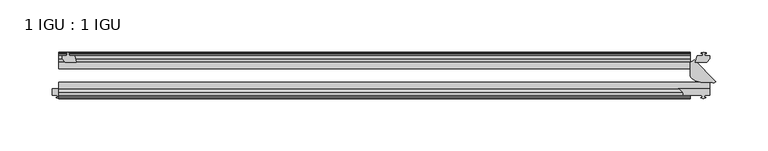
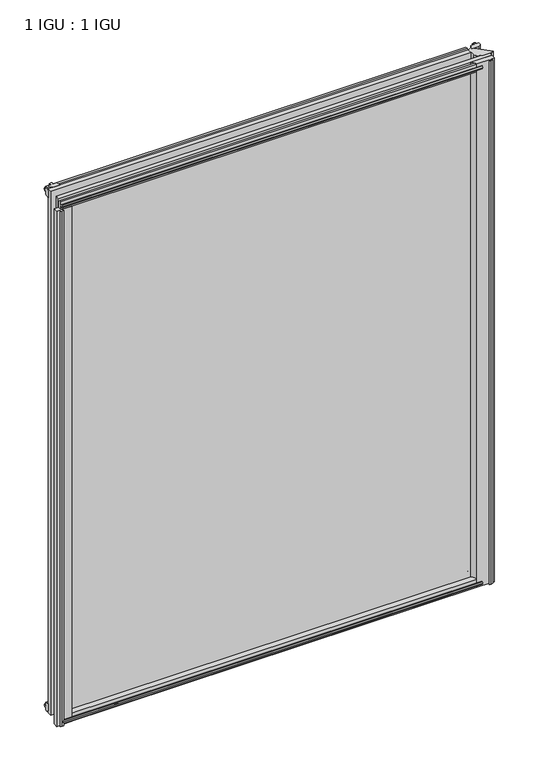
"""IFC4 building model written with IfcOpenShell, lengths in millimetres: plate geometry, 1 IGU : 1 IGU."""

from ifc_helpers import new_model, si_unit, point, frame, frame_2d, origin, place, context, project, spatial, polyline, circle_curve, trimmed, segment, composite_curve, outline, extrude, source, transform, mapped, element, save
from ifc_brep_helpers import plane_surface, cylinder_surface, revolved_surface, extruded_surface, spline_curve, advanced_brep


def plate_1_igu_1_igu_7771bc35(model_context):
    return source(origin(), model_context, "Body", "SolidModel", [
        extrude(outline(polyline([(313.1654553, -10.4746158), (315.3429844, -9.7670938), (317.5205134, -10.4746158), (317.5205134, -11.27583), (316.1049844, -10.8158968), (316.4859844, -13.1960938), (320.9309844, -13.1960938), (320.9309844, -16.1424938), (318.0966422, -19.5460938), (307.2752663, -19.5460938), (308.9929844, -13.1960938), (314.1999844, -13.1960938), (314.5809844, -10.8158968), (313.1654553, -11.27583), (313.1654553, -10.4746158)])), frame((0.0, 0.0, -12.4587), z_axis=(0.0, 0.0, 1.0), x_axis=(1.0, 0.0, 0.0)), (0.0, 0.0, 1.0), 799.6174),
        extrude(outline(polyline([(-295.7968906, -9.7670937), (-293.6193616, -10.4746158), (-293.6193616, -11.27583), (-295.0348906, -10.8158968), (-294.6538906, -13.1960937), (-289.4468906, -13.1960937), (-287.7291725, -19.5460937), (-298.5505485, -19.5460937), (-301.3848906, -16.1424937), (-301.3848906, -13.1960937), (-296.9398906, -13.1960937), (-296.5588906, -10.8158968), (-297.9744197, -11.27583), (-297.9744197, -10.4746158), (-295.7968906, -9.7670937)])), frame((0.0, 0.0, -12.4587), z_axis=(0.0, 0.0, 1.0), x_axis=(1.0, 0.0, 0.0)), (0.0, 0.0, 1.0), 799.6174),
        advanced_brep(
        [(302.2098191, -32.4235409, -12.4587), (302.2098191, -19.5460938, -12.4587), (306.3603258, -17.4341351, -12.4587), (327.0893858, -38.1631952, -12.4587), (324.2055073, -39.1534565, -12.4587), (321.2598191, -38.9186738, -12.4587), (312.4327657, -38.9186738, -12.4587), (302.2098191, -19.5460938, 787.1587), (302.2098191, -32.4235409, 787.1587), (312.4327657, -38.9186738, 787.1587), (321.2598191, -38.9186738, 787.1587), (324.2055073, -39.1534565, 787.1587), (327.0893858, -38.1631952, 787.1587), (306.3603258, -17.4341351, 787.1587)],
        [
            (0, 1),
            (1, 2, circle_curve(frame((301.0410804, -12.1148898, -12.4587), z_axis=(0.0, 0.0, 1.0), x_axis=(1.0, 0.0, 0.0)), 7.522549)),
            (2, 3),
            (3, 4, circle_curve(frame((324.6344618, -35.7082712, -12.4587), z_axis=(0.0, 0.0, -1.0), x_axis=(1.0, 0.0, 0.0)), 3.4717869)),
            (4, 5, circle_curve(frame((322.2411402, -45.2029297, -12.4587), z_axis=(0.0, 0.0, 1.0), x_axis=(1.0, 0.0, 0.0)), 6.3604139)),
            (5, 6),
            (6, 0, spline_curve(3, [(312.4327657, -38.9186738, -12.4587), (311.809740957, -38.761397276, -12.4587), (311.196115338, -38.593572819, -12.4587), (310.283543481, -38.33300809, -12.4587), (309.98066394, -38.244681767, -12.4587), (309.53003538, -38.108050567, -12.4587), (309.380440983, -38.061816567, -12.4587), (309.083829617, -37.966456033, -12.4587), (308.936812673, -37.917329535, -12.4587), (308.644762727, -37.816850065, -12.4587), (308.499729715, -37.765497092, -12.4587), (308.211171685, -37.661098908, -12.4587), (308.067646686, -37.608053732, -12.4587), (307.783099514, -37.499154468, -12.4587), (307.642077426, -37.443300373, -12.4587), (307.363540174, -37.327656627, -12.4587), (307.22602497, -37.267866907, -12.4587), (306.95399843, -37.144916693, -12.4587), (306.819487069, -37.08175619, -12.4587), (306.552974331, -36.95261821, -12.4587), (306.420973005, -36.886640761, -12.4587), (306.160455595, -36.750774839, -12.4587), (306.031939475, -36.680886361, -12.4587), (305.779493525, -36.535961839, -12.4587), (305.655563686, -36.460925826, -12.4587), (305.289346829, -36.229568448, -12.4587), (305.052632562, -36.066997955, -12.4587), (304.710214269, -35.808915823, -12.4587), (304.598183671, -35.720517294, -12.4587), (304.379703929, -35.537504106, -12.4587), (304.273254796, -35.442889374, -12.4587), (304.065369004, -35.247854426, -12.4587), (303.963932414, -35.147434212, -12.4587), (303.765504186, -34.941441188, -12.4587), (303.668512568, -34.835868404, -12.4587), (303.386197964, -34.509849393, -12.4587), (303.209535148, -34.280102712, -12.4587), (302.717605205, -33.551170176, -12.4587), (302.440396533, -33.012291938, -12.4587), (302.2098191, -32.4235409, -12.4587)], [4, 2, 2, 2, 2, 2, 2, 2, 2, 2, 2, 2, 2, 2, 2, 2, 2, 2, 2, 4], [0.0, 0.14285714285714285, 0.21428571428571427, 0.25, 0.2857142857142857, 0.3214285714285714, 0.3571428571428571, 0.3928571428571428, 0.42857142857142855, 0.4642857142857143, 0.5, 0.5357142857142857, 0.5714285714285714, 0.6428571428571428, 0.6785714285714285, 0.7142857142857142, 0.7499999999999999, 0.7857142857142856, 0.8571428571428571, 1.0])),
            (7, 8),
            (8, 9, spline_curve(3, [(302.2098191, -32.4235409, 787.1587), (302.440396533, -33.012291938, 787.1587), (302.717605205, -33.551170176, 787.1587), (303.209535148, -34.280102712, 787.1587), (303.386197964, -34.509849393, 787.1587), (303.668512568, -34.835868404, 787.1587), (303.765504186, -34.941441188, 787.1587), (303.963932414, -35.147434212, 787.1587), (304.065369004, -35.247854426, 787.1587), (304.273254796, -35.442889374, 787.1587), (304.379703929, -35.537504106, 787.1587), (304.598183671, -35.720517294, 787.1587), (304.710214269, -35.808915823, 787.1587), (305.052632562, -36.066997955, 787.1587), (305.289346829, -36.229568448, 787.1587), (305.655563686, -36.460925826, 787.1587), (305.779493525, -36.535961839, 787.1587), (306.031939475, -36.680886361, 787.1587), (306.160455595, -36.750774839, 787.1587), (306.420973005, -36.886640761, 787.1587), (306.552974331, -36.95261821, 787.1587), (306.819487069, -37.08175619, 787.1587), (306.95399843, -37.144916693, 787.1587), (307.22602497, -37.267866907, 787.1587), (307.363540174, -37.327656627, 787.1587), (307.642077426, -37.443300373, 787.1587), (307.783099514, -37.499154468, 787.1587), (308.067646686, -37.608053732, 787.1587), (308.211171685, -37.661098908, 787.1587), (308.499729715, -37.765497092, 787.1587), (308.644762727, -37.816850065, 787.1587), (308.936812673, -37.917329535, 787.1587), (309.083829617, -37.966456033, 787.1587), (309.380440983, -38.061816567, 787.1587), (309.53003538, -38.108050567, 787.1587), (309.98066394, -38.244681767, 787.1587), (310.283543481, -38.33300809, 787.1587), (311.196115338, -38.593572819, 787.1587), (311.809740957, -38.761397276, 787.1587), (312.4327657, -38.9186738, 787.1587)], [4, 2, 2, 2, 2, 2, 2, 2, 2, 2, 2, 2, 2, 2, 2, 2, 2, 2, 2, 4], [0.0, 0.1428571428571429, 0.2142857142857144, 0.2500000000000001, 0.2857142857142858, 0.3214285714285715, 0.3571428571428572, 0.4285714285714286, 0.4642857142857143, 0.5, 0.5357142857142857, 0.5714285714285714, 0.6071428571428572, 0.6428571428571429, 0.6785714285714286, 0.7142857142857143, 0.75, 0.7857142857142857, 0.8571428571428572, 1.0])),
            (9, 10),
            (10, 11, circle_curve(frame((322.2411402, -45.2029297, 787.1587), z_axis=(0.0, 0.0, -1.0), x_axis=(1.0, 0.0, 0.0)), 6.3604139)),
            (11, 12, circle_curve(frame((324.6344618, -35.7082712, 787.1587), z_axis=(0.0, 0.0, 1.0), x_axis=(1.0, 0.0, 0.0)), 3.4717869)),
            (12, 13),
            (13, 7, circle_curve(frame((301.0410804, -12.1148898, 787.1587), z_axis=(0.0, 0.0, -1.0), x_axis=(1.0, 0.0, 0.0)), 7.522549)),
            (1, 7),
            (13, 2),
            (12, 3),
            (11, 4),
            (10, 5),
            (9, 6),
            (8, 0),
        ],
        [
            plane_surface(frame((333.8722844, -13.1960938, -12.4587), z_axis=(0.0, 0.0, -1.0), x_axis=(0.0, 1.0, 0.0))),
            plane_surface(frame((333.8722844, -13.1960938, 787.1587), z_axis=(0.0, 0.0, 1.0), x_axis=(0.0, 1.0, 0.0))),
            revolved_surface(polyline([(308.5636294, -12.1148898, 787.1587), (308.5636294, -12.1148898, -12.4587)]), (301.0410804, -12.1148898, -12.4587), (0.0, 0.0, 1.0)),
            plane_surface(frame((306.3603258, -17.4341351, -12.4587), z_axis=(0.7071067811865649, 0.7071067811865301, 0.0), x_axis=(0.0, 0.0, 1.0))),
            cylinder_surface(frame((324.6344618, -35.7082712, -12.4587), z_axis=(0.0, 0.0, -1.0), x_axis=(1.0, 0.0, 0.0)), 3.4717869),
            revolved_surface(polyline([(328.60155410000004, -45.2029297, 787.1587), (328.60155410000004, -45.2029297, -12.4587)]), (322.2411402, -45.2029297, -12.4587), (0.0, 0.0, 1.0)),
            plane_surface(frame((321.2598191, -38.9186738, -12.4587), z_axis=(0.0, -1.0, 0.0), x_axis=(0.0, 0.0, 1.0))),
            extruded_surface(spline_curve(3, [(312.4327657, -38.9186738, 787.1587), (311.809740957, -38.761397276, 787.1587), (311.196115338, -38.593572819, 787.1587), (310.283543481, -38.33300809, 787.1587), (309.98066394, -38.244681767, 787.1587), (309.53003538, -38.108050567, 787.1587), (309.380440983, -38.061816567, 787.1587), (309.083829617, -37.966456033, 787.1587), (308.936812673, -37.917329535, 787.1587), (308.644762727, -37.816850065, 787.1587), (308.499729715, -37.765497092, 787.1587), (308.211171685, -37.661098908, 787.1587), (308.067646686, -37.608053732, 787.1587), (307.783099514, -37.499154468, 787.1587), (307.642077426, -37.443300373, 787.1587), (307.363540174, -37.327656627, 787.1587), (307.22602497, -37.267866907, 787.1587), (306.95399843, -37.144916693, 787.1587), (306.819487069, -37.08175619, 787.1587), (306.552974331, -36.95261821, 787.1587), (306.420973005, -36.886640761, 787.1587), (306.160455595, -36.750774839, 787.1587), (306.031939475, -36.680886361, 787.1587), (305.779493525, -36.535961839, 787.1587), (305.655563686, -36.460925826, 787.1587), (305.289346829, -36.229568448, 787.1587), (305.052632562, -36.066997955, 787.1587), (304.710214269, -35.808915823, 787.1587), (304.598183671, -35.720517294, 787.1587), (304.379703929, -35.537504106, 787.1587), (304.273254796, -35.442889374, 787.1587), (304.065369004, -35.247854426, 787.1587), (303.963932414, -35.147434212, 787.1587), (303.765504186, -34.941441188, 787.1587), (303.668512568, -34.835868404, 787.1587), (303.386197964, -34.509849393, 787.1587), (303.209535148, -34.280102712, 787.1587), (302.717605205, -33.551170176, 787.1587), (302.440396533, -33.012291938, 787.1587), (302.2098191, -32.4235409, 787.1587)], [4, 2, 2, 2, 2, 2, 2, 2, 2, 2, 2, 2, 2, 2, 2, 2, 2, 2, 2, 4], [0.0, 0.14285714285714285, 0.21428571428571427, 0.25, 0.2857142857142857, 0.3214285714285714, 0.3571428571428571, 0.3928571428571428, 0.42857142857142855, 0.4642857142857143, 0.5, 0.5357142857142857, 0.5714285714285714, 0.6428571428571428, 0.6785714285714285, 0.7142857142857142, 0.7499999999999999, 0.7857142857142856, 0.8571428571428571, 1.0]), (0.0, 0.0, -799.6174), 799.6174),
            plane_surface(frame((302.2098191, -26.0577923, -12.4587), z_axis=(-1.0, 0.0, 0.0), x_axis=(0.0, 0.0, 1.0))),
        ],
        [
            (0, [[1, 2, 3, 4, 5, 6, 7]]),
            (1, [[8, 9, 10, 11, 12, 13, 14]]),
            (2, [[-2, 15, -14, 16]]),
            (3, [[-3, -16, -13, 17]]),
            (4, [[-4, -17, -12, 18]]),
            (5, [[-5, -18, -11, 19]]),
            (6, [[-6, -19, -10, 20]]),
            (7, [[-7, -20, -9, 21]]),
            (8, [[-21, -8, -15, -1]]),
        ],
    ),
        advanced_brep(
        [(291.0346055, -44.9460938, -12.4587), (321.2598191, -44.9460938, -12.4587), (321.2598191, -51.2960938, -12.4587), (316.1798191, -51.2960938, -12.4587), (315.8623191, -53.4006957, -12.4587), (317.080925, -53.0741712, -12.4587), (317.2847191, -53.8347412, -12.4587), (314.9098191, -54.4710938, -12.4587), (312.5349191, -53.8347412, -12.4587), (312.7387133, -53.0741712, -12.4587), (313.9629897, -53.4022151, -12.4587), (313.6258612, -51.2960938, -12.4587), (295.8562303, -51.2960938, -12.4587), (291.0346055, -44.9460938, 787.1587), (295.8562303, -51.2960938, 787.1587), (313.6258612, -51.2960938, 787.1587), (313.9629897, -53.4022151, 787.1587), (312.7387133, -53.0741712, 787.1587), (312.5349191, -53.8347412, 787.1587), (314.9098191, -54.4710938, 787.1587), (317.2847191, -53.8347412, 787.1587), (317.080925, -53.0741712, 787.1587), (315.8623191, -53.4006957, 787.1587), (316.1798191, -51.2960938, 787.1587), (321.2598191, -51.2960938, 787.1587), (321.2598191, -44.9460938, 787.1587)],
        [
            (0, 1),
            (1, 2),
            (2, 3),
            (3, 4),
            (4, 5),
            (5, 6),
            (6, 7),
            (7, 8),
            (8, 9),
            (9, 10),
            (10, 11),
            (11, 12),
            (12, 0, circle_curve(frame((287.5993354, -52.5600884, -12.4587), z_axis=(0.0, 0.0, 1.0), x_axis=(1.0, 0.0, 0.0)), 8.353083)),
            (13, 14, circle_curve(frame((287.5993354, -52.5600884, 787.1587), z_axis=(0.0, 0.0, -1.0), x_axis=(1.0, 0.0, 0.0)), 8.353083)),
            (14, 15),
            (15, 16),
            (16, 17),
            (17, 18),
            (18, 19),
            (19, 20),
            (20, 21),
            (21, 22),
            (22, 23),
            (23, 24),
            (24, 25),
            (25, 13),
            (0, 13),
            (25, 1),
            (24, 2),
            (23, 3),
            (22, 4),
            (21, 5),
            (20, 6),
            (19, 7),
            (18, 8),
            (17, 9),
            (16, 10),
            (15, 11),
            (14, 12),
        ],
        [
            plane_surface(frame((333.8722844, -13.1960938, -12.4587), z_axis=(0.0, 0.0, -1.0), x_axis=(0.0, 1.0, 0.0))),
            plane_surface(frame((333.8722844, -13.1960938, 787.1587), z_axis=(0.0, 0.0, 1.0), x_axis=(0.0, 1.0, 0.0))),
            plane_surface(frame((291.0346055, -44.9460938, -12.4587), z_axis=(0.0, 1.0, 0.0), x_axis=(0.0, 0.0, 1.0))),
            plane_surface(frame((321.2598191, -44.9460938, -12.4587), z_axis=(1.0, 0.0, 0.0), x_axis=(0.0, 0.0, 1.0))),
            plane_surface(frame((321.2598191, -51.2960938, -12.4587), z_axis=(0.0, -1.0, 0.0), x_axis=(0.0, 0.0, 1.0))),
            plane_surface(frame((316.1798191, -51.2960938, -12.4587), z_axis=(0.9888112705101836, -0.1491719521627195, 0.0), x_axis=(0.0, 0.0, 1.0))),
            plane_surface(frame((315.8623191, -53.4006957, -12.4587), z_axis=(-0.25881904510250375, 0.9659258262890729, 0.0), x_axis=(0.0, 0.0, 1.0))),
            plane_surface(frame((317.080925, -53.0741712, -12.4587), z_axis=(0.9659258262890739, 0.2588190451025002, 0.0), x_axis=(0.0, 0.0, 1.0))),
            plane_surface(frame((317.2847191, -53.8347412, -12.4587), z_axis=(0.2588190451025227, -0.9659258262890678, 0.0), x_axis=(0.0, 0.0, 1.0))),
            plane_surface(frame((314.9098191, -54.4710938, -12.4587), z_axis=(-0.25881904510253645, -0.9659258262890641, 0.0), x_axis=(0.0, 0.0, 1.0))),
            plane_surface(frame((312.5349191, -53.8347412, -12.4587), z_axis=(-0.9659258262890702, 0.25881904510251363, 0.0), x_axis=(0.0, 0.0, 1.0))),
            plane_surface(frame((312.7387133, -53.0741712, -12.4587), z_axis=(0.2588190451025192, 0.9659258262890688, 0.0), x_axis=(0.0, 0.0, 1.0))),
            plane_surface(frame((313.9629897, -53.4022151, -12.4587), z_axis=(-0.9874297253783597, -0.1580586518961148, 0.0), x_axis=(0.0, 0.0, 1.0))),
            plane_surface(frame((313.6258612, -51.2960938, -12.4587), z_axis=(0.0, -1.0, 0.0), x_axis=(0.0, 0.0, 1.0))),
            revolved_surface(polyline([(295.9524184, -52.5600884, 787.1587), (295.9524184, -52.5600884, -12.4587)]), (287.5993354, -52.5600884, -12.4587), (0.0, 0.0, 1.0)),
        ],
        [
            (0, [[1, 2, 3, 4, 5, 6, 7, 8, 9, 10, 11, 12, 13]]),
            (1, [[14, 15, 16, 17, 18, 19, 20, 21, 22, 23, 24, 25, 26]]),
            (2, [[-1, 27, -26, 28]]),
            (3, [[-2, -28, -25, 29]]),
            (4, [[-3, -29, -24, 30]]),
            (5, [[-4, -30, -23, 31]]),
            (6, [[-5, -31, -22, 32]]),
            (7, [[-6, -32, -21, 33]]),
            (8, [[-7, -33, -20, 34]]),
            (9, [[-8, -34, -19, 35]]),
            (10, [[-9, -35, -18, 36]]),
            (11, [[-10, -36, -17, 37]]),
            (12, [[-11, -37, -16, 38]]),
            (13, [[-12, -38, -15, 39]]),
            (14, [[-13, -39, -14, -27]]),
        ],
    ),
        extrude(outline(composite_curve([segment(polyline([(-311.1511906, -44.9460937), (-287.0629464, -44.9460937)]), True, "CONTINUOUS"), segment(trimmed(circle_curve(frame_2d((-280.1505628, -50.4227155)), 8.8189814), [point((-287.0629464, -44.9460937))], [point((-288.9261906, -51.2960937))], True, "CARTESIAN"), True, "CONTINUOUS"), segment(polyline([(-288.9261906, -51.2960937), (-303.5311906, -51.2960937), (-303.8486906, -53.4006957), (-302.6300847, -53.0741712), (-302.4262906, -53.8347412), (-304.8011906, -54.4710937), (-307.1760906, -53.8347412), (-306.9722965, -53.0741712), (-305.7536906, -53.4006957), (-306.0711906, -51.2960937), (-311.1511906, -51.2960937), (-311.1511906, -44.9460937)]), True, "CONTINUOUS")], self_intersect=False)), frame((0.0, 0.0, -12.4587), z_axis=(0.0, 0.0, 1.0), x_axis=(1.0, 0.0, 0.0)), (0.0, 0.0, 1.0), 786.9174),
        extrude(outline(polyline([(-10.4746158, -4.6931709), (-9.7670937, -6.8707), (-10.4746158, -9.0482291), (-11.27583, -9.0482291), (-10.8158968, -7.6327), (-13.1960937, -8.0137), (-13.1960937, -12.4587), (-16.1424937, -12.4587), (-19.5460937, -9.6243578), (-19.5460937, 1.1970181), (-13.1960937, -0.5207), (-13.1960937, -5.7277), (-10.8158968, -6.1087), (-11.27583, -4.6931709), (-10.4746158, -4.6931709)])), frame((-304.8011906, 0.0, 0.0), z_axis=(1.0, 0.0, 0.0), x_axis=(0.0, 1.0, 0.0)), (0.0, 0.0, 1.0), 607.0226937),
        extrude(outline(polyline([(-44.9460937, 1.7177181), (-44.9460937, -9.1036578), (-48.3496937, -11.938), (-51.2960937, -11.938), (-51.2960937, -7.493), (-53.6762907, -7.112), (-53.2163575, -8.5275291), (-54.0175717, -8.5275291), (-54.7250937, -6.35), (-54.0175717, -4.1724709), (-53.2163575, -4.1724709), (-53.6762907, -5.588), (-51.2960937, -5.207), (-51.2960937, 0.0), (-44.9460937, 1.7177181)])), frame((-304.8011906, 0.0, 0.0), z_axis=(1.0, 0.0, 0.0), x_axis=(0.0, 1.0, 0.0)), (0.0, 0.0, 1.0), 607.0226937),
        extrude(outline(polyline([(-10.8158968, 782.3327), (-11.27583, 783.7482291), (-10.4746158, 783.7482291), (-9.7670937, 781.5707), (-10.4746158, 779.3931709), (-11.27583, 779.3931709), (-10.8158968, 780.8087), (-13.1960937, 780.4277), (-13.1960937, 775.2207), (-19.5460938, 773.5029819), (-19.5460938, 784.3243578), (-16.1424937, 787.1587), (-13.1960937, 787.1587), (-13.1960937, 782.7137), (-10.8158968, 782.3327)])), frame((-304.8011906, 0.0, 0.0), z_axis=(1.0, 0.0, 0.0), x_axis=(0.0, 1.0, 0.0)), (0.0, 0.0, 1.0), 607.0226937),
        extrude(outline(polyline([(-51.2960937, 786.638), (-48.3496937, 786.638), (-44.9460938, 783.8036578), (-44.9460938, 772.9822819), (-51.2960937, 774.7), (-51.2960937, 779.907), (-53.6762907, 780.288), (-53.2163575, 778.8724709), (-54.0175717, 778.8724709), (-54.7250937, 781.05), (-54.0175717, 783.2275291), (-53.2163575, 783.2275291), (-53.6762907, 781.812), (-51.2960937, 782.193), (-51.2960937, 786.638)])), frame((-304.8011906, 0.0, 0.0), z_axis=(1.0, 0.0, 0.0), x_axis=(0.0, 1.0, 0.0)), (0.0, 0.0, 1.0), 607.0226937),
        extrude(outline(polyline([(-304.8011906, -38.9186738), (321.2715031, -38.9186738), (321.2715031, -44.9460937), (-304.8011906, -44.9460937), (-304.8011906, -38.9186738)])), frame((0.0, 0.0, -12.7), z_axis=(0.0, 0.0, 1.0), x_axis=(1.0, 0.0, 0.0)), (0.0, 0.0, 1.0), 800.1),
        extrude(outline(polyline([(-304.8011906, -19.5460937), (302.2215031, -19.5460937), (302.2215031, -25.8960938), (-304.8011906, -25.8960938), (-304.8011906, -19.5460937)])), frame((0.0, 0.0, -12.7), z_axis=(0.0, 0.0, 1.0), x_axis=(1.0, 0.0, 0.0)), (0.0, 0.0, 1.0), 800.1),
    ])


if __name__ == "__main__":
    model = new_model("IFC4")
    model_context = context("Model", 3, world=origin())
    ifc_project = project(units=[si_unit("LENGTHUNIT", "METRE", prefix="MILLI")], contexts=[model_context])
    site = spatial("IfcSite", under=ifc_project)
    building = spatial("IfcBuilding", under=site)
    placement = place(None, origin())
    plate_1_igu_1_igu_shape = plate_1_igu_1_igu_7771bc35(model_context)
    element("IfcPlate", 1, ObjectType="1 IGU : 1 IGU", at=placement, inside=building, context=model_context, shape_type="MappedRepresentation", body=[
        mapped(plate_1_igu_1_igu_shape, transform((0.0, 0.0, 0.0), x_axis=(1.0, 0.0, 0.0), y_axis=(0.0, 1.0, 0.0), z_axis=(0.0, 0.0, 1.0))),
    ])
    save(model, "model.ifc")
